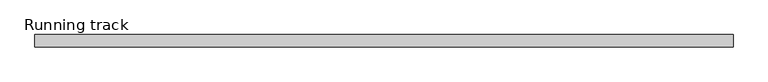
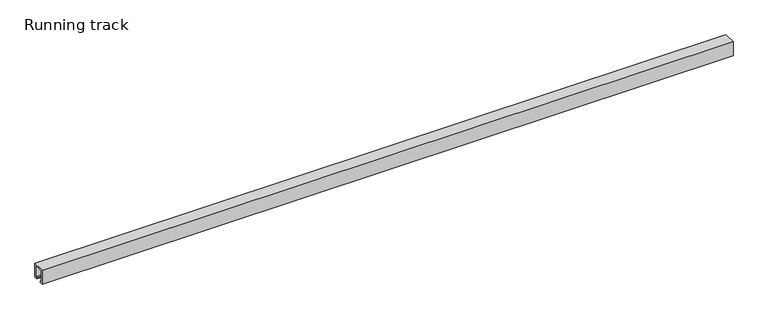
"""IFC4 building model written with IfcOpenShell, lengths in millimetres: proxy geometry, Running track."""

from ifc_helpers import new_model, si_unit, point, frame, frame_2d, origin, origin_with_axes, place, context, project, spatial, polyline, circle_curve, trimmed, segment, composite_curve, outline, extrude, faceted_brep, source, transform, mapped, element, save


def running_track_f7858113(model_context):
    return source(origin(), model_context, "Body", "SolidModel", [
        extrude(outline(composite_curve([segment(trimmed(circle_curve(frame_2d((0.0, 18.67839)), 6.3335878), [point((6.3335878, 18.67839))], [point((-6.3335878, 18.67839))], False, "CARTESIAN"), True, "CONTINUOUS"), segment(trimmed(circle_curve(frame_2d((0.0, 18.67839)), 6.3335878), [point((-6.3335878, 18.67839))], [point((6.3335878, 18.67839))], False, "CARTESIAN"), True, "CONTINUOUS")], self_intersect=False)), frame((1828.0, 0.0, 0.0), z_axis=(1.0, 0.0, 0.0), x_axis=(0.0, 1.0, 0.0)), (0.0, 0.0, 1.0), 4.0),
        faceted_brep([(1874.5, 14.5, 36.5), (1874.5, 14.5, 3.0), (1832.0, 14.5, 3.0), (1832.0, 14.5, 36.5), (1874.5, -14.5, 36.5), (1832.0, -14.5, 36.5), (1832.0, -14.5, 3.0), (1874.5, -14.5, 3.0), (1832.0, 12.5, 36.5), (1871.9235205, 12.5, 36.5), (1871.9235205, -12.531559, 36.5), (1832.0, -12.531559, 36.5), (1832.0, -12.531559, 25.3706125), (1832.0, 12.5, 25.3706125), (1871.9235205, 12.5, 25.3706125), (1871.9235205, -12.531559, 25.3706125)], [[[0, 1, 2, 3]], [[4, 5, 6, 7]], [[3, 8, 9, 10, 11, 5, 4, 0]], [[2, 6, 5, 11, 12, 13, 8, 3]], [[1, 7, 6, 2]], [[0, 4, 7, 1]], [[14, 9, 8, 13]], [[15, 12, 11, 10]], [[15, 10, 9, 14]], [[14, 13, 12, 15]]]),
        extrude(outline(polyline([(1874.5, 12.5), (1874.5, -12.531559), (1830.0024224, -12.531559), (1830.0024224, 12.5), (1874.5, 12.5)])), origin_with_axes(), (0.0, 0.0, 1.0), 3.0),
        extrude(outline(polyline([(36.5, 1817.1109747), (36.5, 1793.4983788), (33.2695661, 1793.4983788), (33.2695661, 1795.332539), (24.3170527, 1870.6793739), (32.9021554, 1870.6793739), (36.5, 1817.1109747)])), frame((0.0, -12.531559, 0.0), z_axis=(0.0, 1.0, 0.0), x_axis=(0.0, 0.0, 1.0)), (0.0, 0.0, 1.0), 25.031559),
        extrude(outline(polyline([(-17.0, 40.0), (17.0, 40.0), (17.0, 0.0), (9.0, 0.0), (9.0, 3.0), (14.0, 3.0), (14.0, 37.0), (-14.0, 37.0), (-14.0, 3.0), (-9.0, 3.0), (-9.0, 0.0), (-17.0, 0.0), (-17.0, 40.0)])), frame((0.0, 0.0, 0.0), z_axis=(1.0, 0.0, 0.0), x_axis=(0.0, 1.0, 0.0)), (0.0, 0.0, 1.0), 1910.0),
    ])


if __name__ == "__main__":
    model = new_model("IFC4")
    model_context = context("Model", 3, world=origin())
    ifc_project = project(units=[si_unit("LENGTHUNIT", "METRE", prefix="MILLI")], contexts=[model_context])
    site = spatial("IfcSite", under=ifc_project)
    building = spatial("IfcBuilding", under=site)
    placement = place(None, origin())
    running_track_shape = running_track_f7858113(model_context)
    element("IfcBuildingElementProxy", 1, Name="Running track", ObjectType="Running track", at=placement, inside=building, context=model_context, shape_type="MappedRepresentation", body=[
        mapped(running_track_shape, transform((0.0, 0.0, 0.0), x_axis=(1.0, 0.0, 0.0), y_axis=(0.0, 1.0, 0.0), z_axis=(0.0, 0.0, 1.0))),
    ])
    save(model, "model.ifc")
